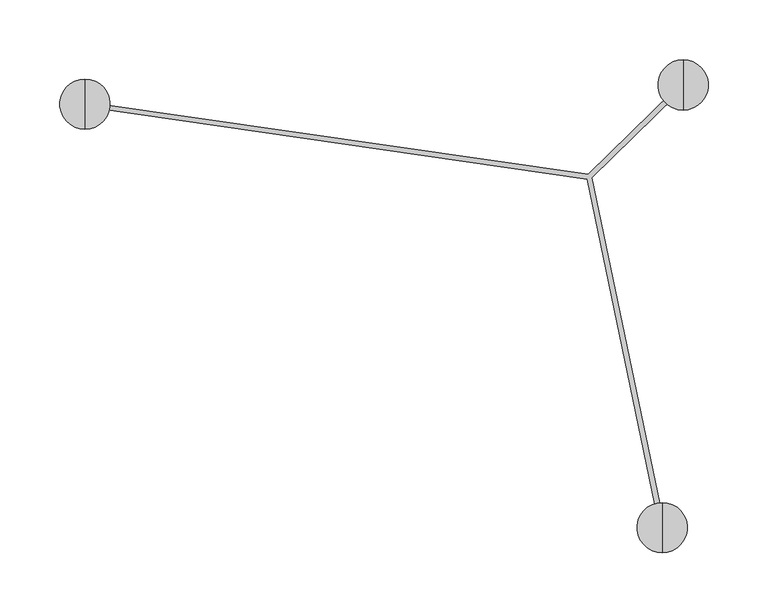
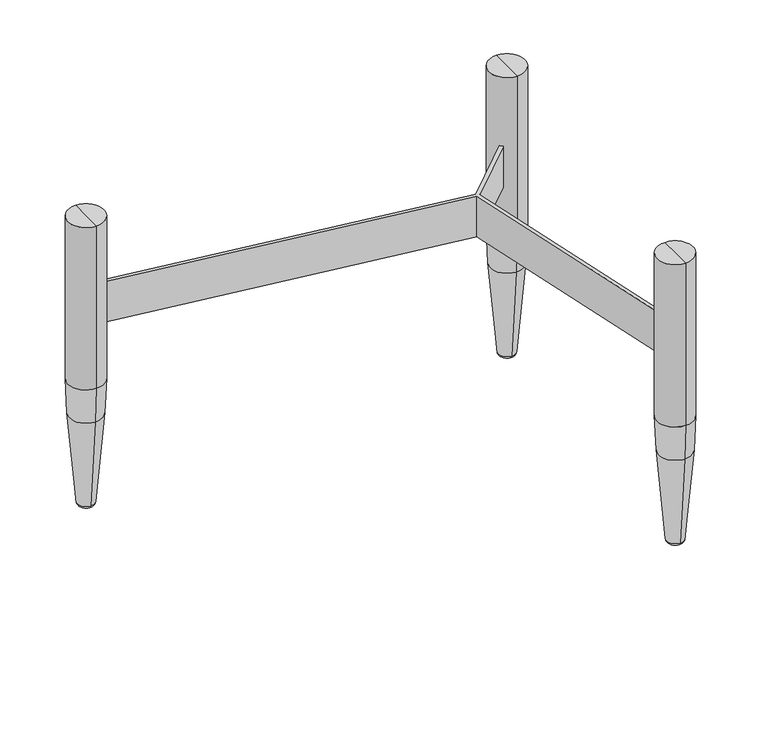
"""IFC4 building model written with IfcOpenShell, lengths in millimetres: furniture geometry."""

from ifc_helpers import new_model, si_unit, point, frame, origin, place, context, project, spatial, polyline, circle_curve, ellipse_curve, trimmed, source, transform, mapped, element, save
from ifc_brep_helpers import plane_surface, cylinder_surface, revolved_surface, advanced_brep


def furniture_df8b7eb5(model_context):
    return source(origin(), model_context, "Body", "AdvancedBrep", [
        advanced_brep(
        [(175.4344045, 113.8752737, 269.9999984), (-235.0154041, 173.1185978, 269.9999984), (-235.5868323, 169.1596269, 269.9999984), (174.4541948, 109.9753029, 269.9999984), (233.2913613, -171.9870747, 269.9999984), (237.2070165, -171.1699939, 269.9999984), (178.3076862, 111.0903025, 269.9999984), (249.0469188, 180.2129912, 269.9999984), (246.2183047, 183.0416053, 269.9999984), (175.4344045, 113.8752737, 219.999998), (246.2183047, 183.0416053, 219.999998), (249.0469188, 180.2129912, 219.999998), (178.3076862, 111.0903025, 219.999998), (237.2070165, -171.1699939, 219.999998), (233.2913613, -171.9870747, 219.999998), (174.4541948, 109.9753029, 219.999998), (-235.5868323, 169.1596269, 219.999998), (-235.0154041, 173.1185978, 219.999998)],
        [
            (0, 1),
            (1, 2, circle_curve(frame((-235.3011182, 171.1391123, 269.9999984), z_axis=(0.0, 0.0, -1.0), x_axis=(1.0, 0.0, 0.0)), 1.9999988)),
            (2, 3),
            (3, 4),
            (4, 5, circle_curve(frame((235.2491889, -171.5785343, 269.9999984), z_axis=(0.0, 0.0, -1.0), x_axis=(1.0, 0.0, 0.0)), 1.9999985)),
            (5, 6),
            (6, 7),
            (7, 8, circle_curve(frame((247.616265, 181.6109515, 269.9999984), z_axis=(0.0, 0.0, -1.0), x_axis=(1.0, 0.0, 0.0)), 2.0002658)),
            (8, 0),
            (9, 10),
            (10, 11, circle_curve(frame((247.616265, 181.6109515, 219.999998), z_axis=(0.0, 0.0, 1.0), x_axis=(1.0, 0.0, 0.0)), 2.0002658)),
            (11, 12),
            (12, 13),
            (13, 14, circle_curve(frame((235.2491889, -171.5785343, 219.999998), z_axis=(0.0, 0.0, 1.0), x_axis=(1.0, 0.0, 0.0)), 1.9999985)),
            (14, 15),
            (15, 16),
            (16, 17, circle_curve(frame((-235.3011182, 171.1391123, 219.999998), z_axis=(0.0, 0.0, 1.0), x_axis=(1.0, 0.0, 0.0)), 1.9999988)),
            (17, 9),
            (8, 10),
            (9, 0),
            (7, 11),
            (6, 12),
            (5, 13),
            (4, 14),
            (3, 15),
            (2, 16),
            (1, 17),
        ],
        [
            plane_surface(frame((246.2513727, 183.0739176, 269.9999984), z_axis=(0.0, 0.0, 1.0000000000000002), x_axis=(0.7152318688029438, 0.698887239723726, 0.0))),
            plane_surface(frame((246.2513727, 183.0739176, 219.999998), z_axis=(0.0, 0.0, -1.0000000000000002), x_axis=(-0.7152318688029438, -0.698887239723726, 0.0))),
            plane_surface(frame((175.4344045, 113.8752737, 269.9999984), z_axis=(-0.698887239723726, 0.7152318688029438, 0.0), x_axis=(0.0, 0.0, -1.0))),
            revolved_surface(polyline([(249.6165308, 181.6109515, 219.999998), (249.6165308, 181.6109515, 269.9999984)]), (247.616265, 181.6109515, 219.999998), (0.0, 0.0, -1.0)),
            plane_surface(frame((249.0469188, 180.2129912, 269.9999984), z_axis=(0.698887260078803, -0.7152318489130246, 0.0), x_axis=(0.0, 0.0, -1.0))),
            plane_surface(frame((178.3076862, 111.0903025, 269.9999984), z_axis=(0.9789145133853396, 0.20427034900724997, 0.0), x_axis=(0.0, 0.0, -1.0))),
            revolved_surface(polyline([(237.2491874, -171.5785343, 219.999998), (237.2491874, -171.5785343, 269.9999984)]), (235.2491889, -171.5785343, 219.999998), (0.0, 0.0, -1.0)),
            plane_surface(frame((233.2913613, -171.9870747, 269.9999984), z_axis=(-0.9789145113103518, -0.20427035895110976, 0.0), x_axis=(0.0, 0.0, -1.0))),
            plane_surface(frame((174.4541948, 109.9753029, 269.9999984), z_axis=(-0.1428571420043561, -0.9897433187338762, 0.0), x_axis=(0.0, 0.0, -1.0))),
            revolved_surface(polyline([(-233.3011194, 171.1391123, 219.999998), (-233.3011194, 171.1391123, 269.9999984)]), (-235.3011182, 171.1391123, 219.999998), (0.0, 0.0, -1.0)),
            plane_surface(frame((-235.0154041, 173.1185978, 269.9999984), z_axis=(0.1428571362424297, 0.9897433195655386, 0.0), x_axis=(0.0, 0.0, -1.0))),
        ],
        [
            (0, [[1, 2, 3, 4, 5, 6, 7, 8, 9]]),
            (1, [[10, 11, 12, 13, 14, 15, 16, 17, 18]]),
            (2, [[19, -10, 20, -9]]),
            (3, [[21, -11, -19, -8]]),
            (4, [[22, -12, -21, -7]]),
            (5, [[23, -13, -22, -6]]),
            (6, [[24, -14, -23, -5]]),
            (7, [[25, -15, -24, -4]]),
            (8, [[26, -16, -25, -3]]),
            (9, [[27, -17, -26, -2]]),
            (10, [[-20, -18, -27, -1]]),
        ],
    ),
        advanced_brep(
        [(237.2918859, -160.3676782, 354.9999882), (237.2918859, -160.3676782, 154.9620438), (237.2918859, -202.3676854, 154.9620438), (237.2918859, -202.3676854, 354.9999882), (237.2918859, -181.3676818, 354.9999882), (237.2918859, -174.8530811, 0.0), (237.2918859, -181.3676818, 0.0), (237.2918859, -187.8822824, 0.0), (237.2918859, -171.5346609, 3.0468242), (237.2918859, -191.2007027, 3.0468242), (237.2918859, -162.1817447, 112.4467919), (237.2918859, -200.5536189, 112.4467919)],
        [
            (0, 1),
            (1, 2, circle_curve(frame((237.2918859, -181.3676818, 154.9620438), z_axis=(0.0, 0.0, 1.0), x_axis=(0.0, -1.0, 0.0)), 21.0000036)),
            (2, 3),
            (3, 0, circle_curve(frame((237.2918859, -181.3676818, 354.9999882), z_axis=(0.0, 0.0, -1.0), x_axis=(0.0, -1.0, 0.0)), 21.0000036)),
            (2, 1, circle_curve(frame((237.2918859, -181.3676818, 154.9620438), z_axis=(0.0, 0.0, 1.0), x_axis=(0.0, -1.0, 0.0)), 21.0000036)),
            (0, 3, circle_curve(frame((237.2918859, -181.3676818, 354.9999882), z_axis=(0.0, 0.0, -1.0), x_axis=(0.0, -1.0, 0.0)), 21.0000036)),
            (4, 0),
            (3, 4),
            (5, 6),
            (6, 7),
            (7, 5, circle_curve(frame((237.2918859, -181.3676818, 0.0), z_axis=(0.0, 0.0, -1.0), x_axis=(0.0, -1.0, 0.0)), 6.5146006)),
            (5, 7, circle_curve(frame((237.2918859, -181.3676818, 0.0), z_axis=(0.0, 0.0, -1.0), x_axis=(0.0, -1.0, 0.0)), 6.5146006)),
            (8, 5, circle_curve(frame((237.2918859, -174.8530811, 3.3305254), z_axis=(-1.0, 0.0, 0.0), x_axis=(0.0, 1.0, 0.0)), 3.3305254)),
            (7, 9, circle_curve(frame((237.2918859, -187.8822824, 3.3305254), z_axis=(-1.0, 0.0, 0.0), x_axis=(0.0, -1.0, 0.0)), 3.3305254)),
            (9, 8, circle_curve(frame((237.2918859, -181.3676818, 3.0468242), z_axis=(0.0, 0.0, -1.0), x_axis=(0.0, -1.0, 0.0)), 9.8330209)),
            (8, 9, circle_curve(frame((237.2918859, -181.3676818, 3.0468242), z_axis=(0.0, 0.0, -1.0), x_axis=(0.0, -1.0, 0.0)), 9.8330209)),
            (10, 8),
            (9, 11),
            (11, 10, circle_curve(frame((237.2918859, -181.3676818, 112.4467919), z_axis=(0.0, 0.0, -1.0), x_axis=(0.0, -1.0, 0.0)), 19.1859371)),
            (10, 11, circle_curve(frame((237.2918859, -181.3676818, 112.4467919), z_axis=(0.0, 0.0, -1.0), x_axis=(0.0, -1.0, 0.0)), 19.1859371)),
            (1, 10, circle_curve(frame((237.2918859, -659.4776782, 154.9620438), z_axis=(-1.0, 0.0, 0.0), x_axis=(0.0, 1.0, 0.0)), 499.11)),
            (11, 2, circle_curve(frame((237.2918859, 296.7423146, 154.9620438), z_axis=(-1.0, 0.0, 0.0), x_axis=(0.0, -1.0, 0.0)), 499.11)),
        ],
        [
            cylinder_surface(frame((237.2918859, -181.3676818, 532.7999882), z_axis=(0.0, 0.0, 1.0), x_axis=(0.0, -1.0, 0.0)), 21.0000036),
            plane_surface(frame((237.2918859, -181.3676818, 354.9999882), z_axis=(0.0, 0.0, 1.0), x_axis=(0.0, -1.0, 0.0))),
            plane_surface(frame((237.2918859, -181.3676818, 0.0), z_axis=(0.0, 0.0, -1.0), x_axis=(0.0, -1.0, 0.0))),
            revolved_surface(trimmed(ellipse_curve(frame((237.2918859, -187.8822824, 3.3305254), z_axis=(-1.0, 0.0, 0.0), x_axis=(0.0, -1.0, 0.0)), 3.3305254, 3.3305254), [point((237.2918859, -187.8822824, 0.0))], [point((237.2918859, -191.2007027, 3.0468242))], True, "CARTESIAN"), (237.2918859, -181.3676818, 532.7999882), (0.0, 0.0, 1.0)),
            revolved_surface(polyline([(237.2918859, -191.2007027, 3.0468242), (237.2918859, -200.5536189, 112.4467919)]), (237.2918859, -181.3676818, 532.7999882), (0.0, 0.0, 1.0)),
            revolved_surface(trimmed(ellipse_curve(frame((237.2918859, 296.7423146, 154.9620438), z_axis=(-1.0, 0.0, 0.0), x_axis=(0.0, -1.0, 0.0)), 499.11, 499.11), [point((237.2918859, -200.5536189, 112.4467919))], [point((237.2918859, -202.3676854, 154.9620438))], True, "CARTESIAN"), (237.2918859, -181.3676818, 532.7999882), (0.0, 0.0, 1.0)),
        ],
        [
            (0, [[1, 2, 3, 4]]),
            (0, [[-3, 5, -1, 6]]),
            (1, [[7, -4, 8]]),
            (1, [[-8, -6, -7]]),
            (2, [[9, 10, 11]]),
            (2, [[-10, -9, 12]]),
            (3, [[13, -11, 14, 15]]),
            (3, [[-14, -12, -13, 16]]),
            (4, [[17, -15, 18, 19]]),
            (4, [[-18, -16, -17, 20]]),
            (5, [[21, -19, 22, -2]]),
            (5, [[-22, -20, -21, -5]]),
        ],
    ),
        advanced_brep(
        [(254.801464, 209.6323301, 354.9999882), (254.801464, 209.6323301, 154.9620438), (254.801464, 167.6323229, 154.9620438), (254.801464, 167.6323229, 354.9999882), (254.801464, 188.6323265, 354.9999882), (254.801464, 195.1469271, 0.0), (254.801464, 188.6323265, 0.0), (254.801464, 182.1177259, 0.0), (254.801464, 198.4653474, 3.0468242), (254.801464, 178.7993056, 3.0468242), (254.801464, 207.8182636, 112.4467919), (254.801464, 169.4463894, 112.4467919)],
        [
            (0, 1),
            (1, 2, circle_curve(frame((254.801464, 188.6323265, 154.9620438), z_axis=(0.0, 0.0, 1.0), x_axis=(0.0, -1.0, 0.0)), 21.0000036)),
            (2, 3),
            (3, 0, circle_curve(frame((254.801464, 188.6323265, 354.9999882), z_axis=(0.0, 0.0, -1.0), x_axis=(0.0, -1.0, 0.0)), 21.0000036)),
            (2, 1, circle_curve(frame((254.801464, 188.6323265, 154.9620438), z_axis=(0.0, 0.0, 1.0), x_axis=(0.0, -1.0, 0.0)), 21.0000036)),
            (0, 3, circle_curve(frame((254.801464, 188.6323265, 354.9999882), z_axis=(0.0, 0.0, -1.0), x_axis=(0.0, -1.0, 0.0)), 21.0000036)),
            (4, 0),
            (3, 4),
            (5, 6),
            (6, 7),
            (7, 5, circle_curve(frame((254.801464, 188.6323265, 0.0), z_axis=(0.0, 0.0, -1.0), x_axis=(0.0, -1.0, 0.0)), 6.5146006)),
            (5, 7, circle_curve(frame((254.801464, 188.6323265, 0.0), z_axis=(0.0, 0.0, -1.0), x_axis=(0.0, -1.0, 0.0)), 6.5146006)),
            (8, 5, circle_curve(frame((254.801464, 195.1469271, 3.3305254), z_axis=(-1.0, 0.0, 0.0), x_axis=(0.0, 1.0, 0.0)), 3.3305254)),
            (7, 9, circle_curve(frame((254.801464, 182.1177259, 3.3305254), z_axis=(-1.0, 0.0, 0.0), x_axis=(0.0, -1.0, 0.0)), 3.3305254)),
            (9, 8, circle_curve(frame((254.801464, 188.6323265, 3.0468242), z_axis=(0.0, 0.0, -1.0), x_axis=(0.0, -1.0, 0.0)), 9.8330209)),
            (8, 9, circle_curve(frame((254.801464, 188.6323265, 3.0468242), z_axis=(0.0, 0.0, -1.0), x_axis=(0.0, -1.0, 0.0)), 9.8330209)),
            (10, 8),
            (9, 11),
            (11, 10, circle_curve(frame((254.801464, 188.6323265, 112.4467919), z_axis=(0.0, 0.0, -1.0), x_axis=(0.0, -1.0, 0.0)), 19.1859371)),
            (10, 11, circle_curve(frame((254.801464, 188.6323265, 112.4467919), z_axis=(0.0, 0.0, -1.0), x_axis=(0.0, -1.0, 0.0)), 19.1859371)),
            (1, 10, circle_curve(frame((254.801464, -289.4776699, 154.9620438), z_axis=(-1.0, 0.0, 0.0), x_axis=(0.0, 1.0, 0.0)), 499.11)),
            (11, 2, circle_curve(frame((254.801464, 666.7423229, 154.9620438), z_axis=(-1.0, 0.0, 0.0), x_axis=(0.0, -1.0, 0.0)), 499.11)),
        ],
        [
            cylinder_surface(frame((254.801464, 188.6323265, 532.7999882), z_axis=(0.0, 0.0, 1.0), x_axis=(0.0, -1.0, 0.0)), 21.0000036),
            plane_surface(frame((254.801464, 188.6323265, 354.9999882), z_axis=(0.0, 0.0, 1.0), x_axis=(0.0, -1.0, 0.0))),
            plane_surface(frame((254.801464, 188.6323265, 0.0), z_axis=(0.0, 0.0, -1.0), x_axis=(0.0, -1.0, 0.0))),
            revolved_surface(trimmed(ellipse_curve(frame((254.801464, 182.1177259, 3.3305254), z_axis=(-1.0, 0.0, 0.0), x_axis=(0.0, -1.0, 0.0)), 3.3305254, 3.3305254), [point((254.801464, 182.1177259, 0.0))], [point((254.801464, 178.7993056, 3.0468242))], True, "CARTESIAN"), (254.801464, 188.6323265, 532.7999882), (0.0, 0.0, 1.0)),
            revolved_surface(polyline([(254.801464, 178.7993056, 3.0468242), (254.801464, 169.4463894, 112.4467919)]), (254.801464, 188.6323265, 532.7999882), (0.0, 0.0, 1.0)),
            revolved_surface(trimmed(ellipse_curve(frame((254.801464, 666.7423229, 154.9620438), z_axis=(-1.0, 0.0, 0.0), x_axis=(0.0, -1.0, 0.0)), 499.11, 499.11), [point((254.801464, 169.4463894, 112.4467919))], [point((254.801464, 167.6323229, 154.9620438))], True, "CARTESIAN"), (254.801464, 188.6323265, 532.7999882), (0.0, 0.0, 1.0)),
        ],
        [
            (0, [[1, 2, 3, 4]]),
            (0, [[-3, 5, -1, 6]]),
            (1, [[7, -4, 8]]),
            (1, [[-8, -6, -7]]),
            (2, [[9, 10, 11]]),
            (2, [[-10, -9, 12]]),
            (3, [[13, -11, 14, 15]]),
            (3, [[-14, -12, -13, 16]]),
            (4, [[17, -15, 18, 19]]),
            (4, [[-18, -16, -17, 20]]),
            (5, [[21, -19, 22, -2]]),
            (5, [[-22, -20, -21, -5]]),
        ],
    ),
        advanced_brep(
        [(-245.1985398, 193.5676902, 354.9999882), (-245.1985398, 193.5676902, 154.9620438), (-245.1985398, 151.567683, 154.9620438), (-245.1985398, 151.567683, 354.9999882), (-245.1985398, 172.5676866, 354.9999882), (-245.1985398, 179.0822873, 0.0), (-245.1985398, 172.5676866, 0.0), (-245.1985398, 166.053086, 0.0), (-245.1985398, 182.4007075, 3.0468242), (-245.1985398, 162.7346657, 3.0468242), (-245.1985398, 191.7536237, 112.4467919), (-245.1985398, 153.3817495, 112.4467919)],
        [
            (0, 1),
            (1, 2, circle_curve(frame((-245.1985398, 172.5676866, 154.9620438), z_axis=(0.0, 0.0, 1.0), x_axis=(0.0, -1.0, 0.0)), 21.0000036)),
            (2, 3),
            (3, 0, circle_curve(frame((-245.1985398, 172.5676866, 354.9999882), z_axis=(0.0, 0.0, -1.0), x_axis=(0.0, -1.0, 0.0)), 21.0000036)),
            (2, 1, circle_curve(frame((-245.1985398, 172.5676866, 154.9620438), z_axis=(0.0, 0.0, 1.0), x_axis=(0.0, -1.0, 0.0)), 21.0000036)),
            (0, 3, circle_curve(frame((-245.1985398, 172.5676866, 354.9999882), z_axis=(0.0, 0.0, -1.0), x_axis=(0.0, -1.0, 0.0)), 21.0000036)),
            (4, 0),
            (3, 4),
            (5, 6),
            (6, 7),
            (7, 5, circle_curve(frame((-245.1985398, 172.5676866, 0.0), z_axis=(0.0, 0.0, -1.0), x_axis=(0.0, -1.0, 0.0)), 6.5146006)),
            (5, 7, circle_curve(frame((-245.1985398, 172.5676866, 0.0), z_axis=(0.0, 0.0, -1.0), x_axis=(0.0, -1.0, 0.0)), 6.5146006)),
            (8, 5, circle_curve(frame((-245.1985398, 179.0822873, 3.3305254), z_axis=(-1.0, 0.0, 0.0), x_axis=(0.0, 1.0, 0.0)), 3.3305254)),
            (7, 9, circle_curve(frame((-245.1985398, 166.053086, 3.3305254), z_axis=(-1.0, 0.0, 0.0), x_axis=(0.0, -1.0, 0.0)), 3.3305254)),
            (9, 8, circle_curve(frame((-245.1985398, 172.5676866, 3.0468242), z_axis=(0.0, 0.0, -1.0), x_axis=(0.0, -1.0, 0.0)), 9.8330209)),
            (8, 9, circle_curve(frame((-245.1985398, 172.5676866, 3.0468242), z_axis=(0.0, 0.0, -1.0), x_axis=(0.0, -1.0, 0.0)), 9.8330209)),
            (10, 8),
            (9, 11),
            (11, 10, circle_curve(frame((-245.1985398, 172.5676866, 112.4467919), z_axis=(0.0, 0.0, -1.0), x_axis=(0.0, -1.0, 0.0)), 19.1859371)),
            (10, 11, circle_curve(frame((-245.1985398, 172.5676866, 112.4467919), z_axis=(0.0, 0.0, -1.0), x_axis=(0.0, -1.0, 0.0)), 19.1859371)),
            (1, 10, circle_curve(frame((-245.1985398, -305.5423098, 154.9620438), z_axis=(-1.0, 0.0, 0.0), x_axis=(0.0, 1.0, 0.0)), 499.11)),
            (11, 2, circle_curve(frame((-245.1985398, 650.677683, 154.9620438), z_axis=(-1.0, 0.0, 0.0), x_axis=(0.0, -1.0, 0.0)), 499.11)),
        ],
        [
            cylinder_surface(frame((-245.1985398, 172.5676866, 532.7999882), z_axis=(0.0, 0.0, 1.0), x_axis=(0.0, -1.0, 0.0)), 21.0000036),
            plane_surface(frame((-245.1985398, 172.5676866, 354.9999882), z_axis=(0.0, 0.0, 1.0), x_axis=(0.0, -1.0, 0.0))),
            plane_surface(frame((-245.1985398, 172.5676866, 0.0), z_axis=(0.0, 0.0, -1.0), x_axis=(0.0, -1.0, 0.0))),
            revolved_surface(trimmed(ellipse_curve(frame((-245.1985398, 166.053086, 3.3305254), z_axis=(-1.0, 0.0, 0.0), x_axis=(0.0, -1.0, 0.0)), 3.3305254, 3.3305254), [point((-245.1985398, 166.053086, 0.0))], [point((-245.1985398, 162.7346657, 3.0468242))], True, "CARTESIAN"), (-245.1985398, 172.5676866, 532.7999882), (0.0, 0.0, 1.0)),
            revolved_surface(polyline([(-245.1985398, 162.7346657, 3.0468242), (-245.1985398, 153.3817495, 112.4467919)]), (-245.1985398, 172.5676866, 532.7999882), (0.0, 0.0, 1.0)),
            revolved_surface(trimmed(ellipse_curve(frame((-245.1985398, 650.677683, 154.9620438), z_axis=(-1.0, 0.0, 0.0), x_axis=(0.0, -1.0, 0.0)), 499.11, 499.11), [point((-245.1985398, 153.3817495, 112.4467919))], [point((-245.1985398, 151.567683, 154.9620438))], True, "CARTESIAN"), (-245.1985398, 172.5676866, 532.7999882), (0.0, 0.0, 1.0)),
        ],
        [
            (0, [[1, 2, 3, 4]]),
            (0, [[-3, 5, -1, 6]]),
            (1, [[7, -4, 8]]),
            (1, [[-8, -6, -7]]),
            (2, [[9, 10, 11]]),
            (2, [[-10, -9, 12]]),
            (3, [[13, -11, 14, 15]]),
            (3, [[-14, -12, -13, 16]]),
            (4, [[17, -15, 18, 19]]),
            (4, [[-18, -16, -17, 20]]),
            (5, [[21, -19, 22, -2]]),
            (5, [[-22, -20, -21, -5]]),
        ],
    ),
    ])


if __name__ == "__main__":
    model = new_model("IFC4")
    model_context = context("Model", 3, world=origin())
    ifc_project = project(units=[si_unit("LENGTHUNIT", "METRE", prefix="MILLI")], contexts=[model_context])
    site = spatial("IfcSite", under=ifc_project)
    building = spatial("IfcBuilding", under=site)
    placement = place(None, origin())
    furniture_shape = furniture_df8b7eb5(model_context)
    element("IfcFurniture", 1, at=placement, inside=building, context=model_context, shape_type="MappedRepresentation", body=[
        mapped(furniture_shape, transform((0.0, 0.0, 0.0), x_axis=(1.0, 0.0, 0.0), y_axis=(0.0, 1.0, 0.0), z_axis=(0.0, 0.0, 1.0))),
    ])
    save(model, "model.ifc")
